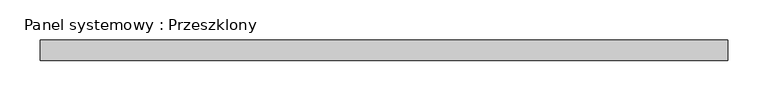
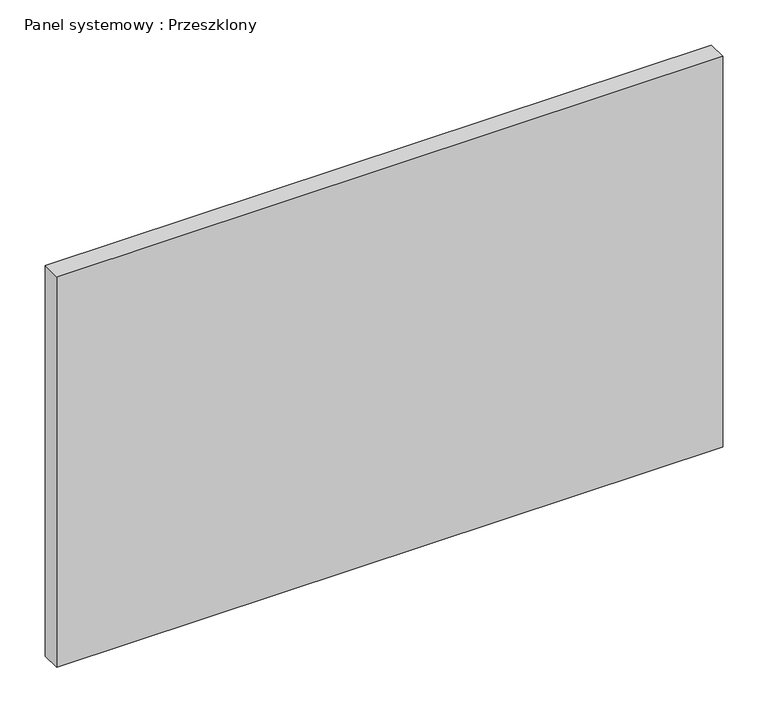
"""IFC4 building model written with IfcOpenShell, lengths in millimetres: plate geometry, Panel systemowy : Przeszklony."""

from ifc_helpers import new_model, si_unit, origin, origin_with_axes, place, context, project, spatial, polyline, outline, extrude, source, transform, mapped, element, save


def panel_systemowy_przeszklony_7e7e17a5(model_context):
    return source(origin(), model_context, "Body", "SweptSolid", [
        extrude(outline(polyline([(425.0, 24.5), (-425.0, 24.5), (-425.0, 49.5), (425.0, 49.5), (425.0, 24.5)])), origin_with_axes(), (0.0, 0.0, 1.0), 526.9756315),
    ])


if __name__ == "__main__":
    model = new_model("IFC4")
    model_context = context("Model", 3, world=origin())
    ifc_project = project(units=[si_unit("LENGTHUNIT", "METRE", prefix="MILLI")], contexts=[model_context])
    site = spatial("IfcSite", under=ifc_project)
    building = spatial("IfcBuilding", under=site)
    placement = place(None, origin())
    panel_systemowy_przeszklony_shape = panel_systemowy_przeszklony_7e7e17a5(model_context)
    element("IfcPlate", 1, ObjectType="Panel systemowy : Przeszklony", at=placement, inside=building, context=model_context, shape_type="MappedRepresentation", body=[
        mapped(panel_systemowy_przeszklony_shape, transform((0.0, 0.0, 0.0), x_axis=(1.0, 0.0, 0.0), y_axis=(0.0, 1.0, 0.0), z_axis=(0.0, 0.0, 1.0))),
    ])
    save(model, "model.ifc")
